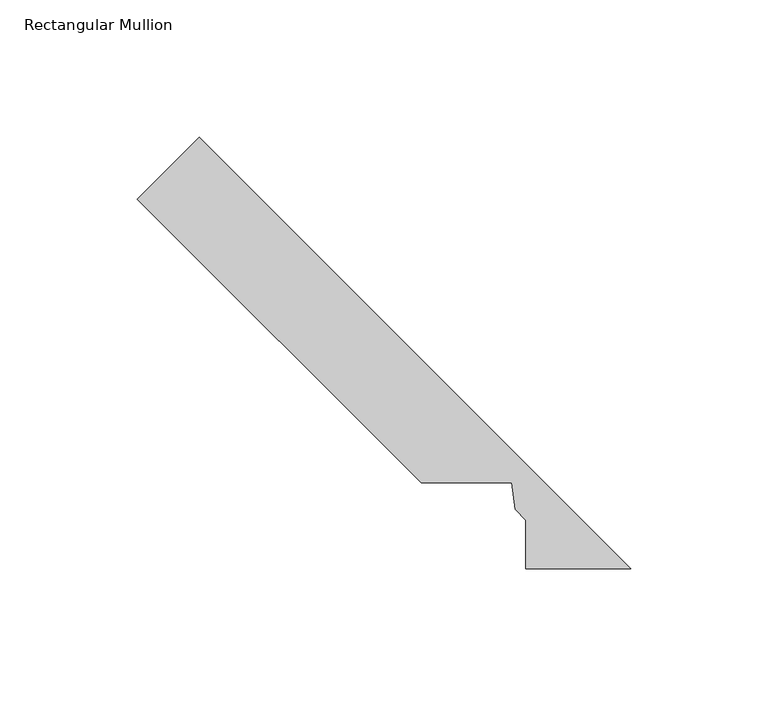
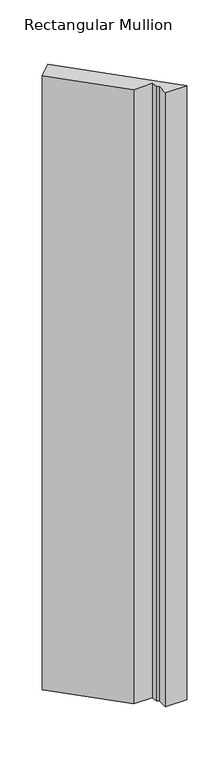
"""IFC4 building model written with IfcOpenShell, lengths in millimetres: member geometry, Rectangular Mullion."""

from ifc_helpers import new_model, si_unit, frame, origin, place, context, project, spatial, polyline, outline, extrude, source, transform, mapped, element, save


def rectangular_mullion_c783ef65(model_context):
    return source(origin(), model_context, "Body", "SweptSolid", [
        extrude(outline(polyline([(-199.5040807, 154.6028001), (-177.0534404, 177.0534404), (-20.0421875, 20.0421875), (-58.1270024, 20.0421875), (-58.1270024, 37.7054024), (-62.0986242, 41.6770242), (-63.276004, 51.3118941), (-96.2131748, 51.3118941), (-199.5040807, 154.6028001)])), frame((0.0, 0.0, -1155.7), z_axis=(0.0, 0.0, 1.0), x_axis=(1.0, 0.0, 0.0)), (0.0, 0.0, 1.0), 1155.7),
    ])


if __name__ == "__main__":
    model = new_model("IFC4")
    model_context = context("Model", 3, world=origin())
    ifc_project = project(units=[si_unit("LENGTHUNIT", "METRE", prefix="MILLI")], contexts=[model_context])
    site = spatial("IfcSite", under=ifc_project)
    building = spatial("IfcBuilding", under=site)
    placement = place(None, origin())
    rectangular_mullion_shape = rectangular_mullion_c783ef65(model_context)
    element("IfcMember", 1, ObjectType="Rectangular Mullion", at=placement, inside=building, context=model_context, shape_type="MappedRepresentation", body=[
        mapped(rectangular_mullion_shape, transform((0.0, 0.0, 0.0), x_axis=(1.0, 0.0, 0.0), y_axis=(0.0, 1.0, 0.0), z_axis=(0.0, 0.0, 1.0))),
    ])
    save(model, "model.ifc")
